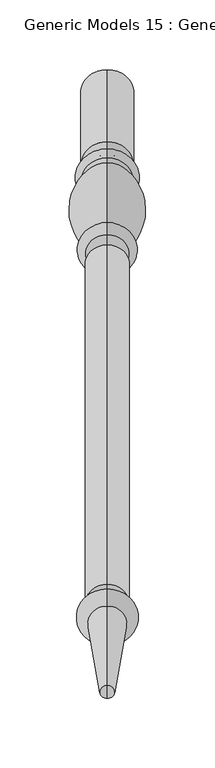
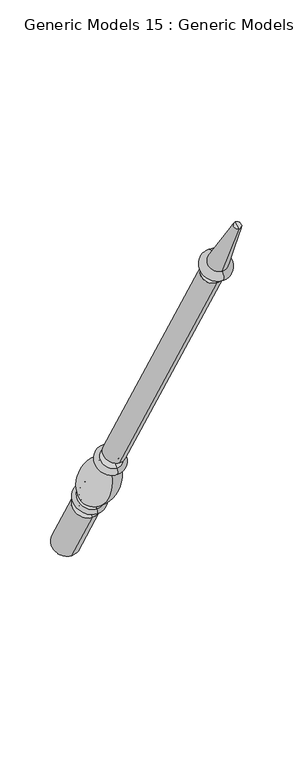
"""IFC4 building model written with IfcOpenShell, lengths in millimetres: proxy geometry, Generic Models 15 : Generic Models 2."""

from ifc_helpers import new_model, si_unit, point, frame, origin, place, context, project, spatial, polyline, circle_curve, ellipse_curve, trimmed, source, transform, mapped, element, save
from ifc_brep_helpers import plane_surface, cylinder_surface, revolved_surface, advanced_brep


def generic_models_15_generic_models_2_dc057fa0(model_context):
    return source(origin(), model_context, "Body", "AdvancedBrep", [
        advanced_brep(
        [(-705.2684498, 1861.1601077, 610.5814746), (-705.2684498, 1828.1645398, 591.5314746), (-705.2684498, 1880.0576333, 501.65), (-705.2684498, 1913.0532012, 520.7), (-705.2684498, 1853.6896456, 623.5206944), (-705.2684498, 1820.6940777, 604.4706944), (-705.2684498, 1849.5864045, 630.6277165), (-705.2684498, 1816.5908366, 611.5777165), (-705.2684498, 1845.9182158, 636.9812058), (-705.2684498, 1812.9226479, 617.9312058), (-705.2684498, 1801.1569262, 703.055156), (-705.2684498, 1778.0815733, 689.7325947), (-705.2684498, 1799.8610191, 710.4046105), (-705.2684498, 1772.3647125, 694.5296105), (-705.2684498, 1794.1590629, 720.2806883), (-705.2684498, 1766.6627563, 704.4056883), (-705.2684498, 1786.7732215, 733.0733408), (-705.2684498, 1759.276915, 717.1983408), (-705.2684498, 1542.2982215, 1156.516462), (-705.2684498, 1514.801915, 1140.641462), (-705.2684498, 1537.2251467, 1153.5875209), (-705.2684498, 1519.8749898, 1143.5704031), (-705.2684498, 1531.1910418, 1164.0388972), (-705.2684498, 1513.8408848, 1154.0217794), (-705.2684498, 1534.7597609, 1166.0992981), (-705.2684498, 1510.2721658, 1151.9613785), (-705.2684498, 1526.5847892, 1180.2587644), (-705.2684498, 1502.0971941, 1166.1208448), (-705.2684498, 1469.4852742, 1261.8053229), (-705.2684498, 1460.0255603, 1256.3437545), (-705.2684498, 1464.7554173, 1259.0745387), (-705.2684498, 1896.5554173, 511.175)],
        [
            (0, 1, circle_curve(frame((-705.2684498, 1844.6623237, 601.0564746), z_axis=(0.0, 0.5000000000000062, -0.8660254037844352), x_axis=(0.0, -0.8660254037844352, -0.5000000000000062)), 19.05)),
            (1, 2),
            (2, 3, circle_curve(frame((-705.2684498, 1896.5554173, 511.175), z_axis=(0.0, -0.5000000000000062, 0.8660254037844352), x_axis=(0.0, -0.8660254037844352, -0.5000000000000062)), 19.05)),
            (3, 0),
            (1, 0, circle_curve(frame((-705.2684498, 1844.6623237, 601.0564746), z_axis=(0.0, 0.5000000000000062, -0.8660254037844352), x_axis=(0.0, -0.8660254037844352, -0.5000000000000062)), 19.05)),
            (3, 2, circle_curve(frame((-705.2684498, 1896.5554173, 511.175), z_axis=(0.0, -0.5000000000000062, 0.8660254037844352), x_axis=(0.0, -0.8660254037844352, -0.5000000000000062)), 19.05)),
            (4, 5, circle_curve(frame((-705.2684498, 1837.1918617, 613.9956944), z_axis=(0.0, 0.5000000000000062, -0.8660254037844352), x_axis=(0.0, -0.8660254037844352, -0.5000000000000062)), 19.05)),
            (5, 1, circle_curve(frame((-705.2684498, 1821.8102989, 596.4889985), z_axis=(-1.0, 0.0, 0.0), x_axis=(0.0, 0.8660254037844352, 0.5000000000000062)), 8.0593685)),
            (0, 4, circle_curve(frame((-705.2684498, 1860.0438865, 618.5631706), z_axis=(-1.0, 0.0, 0.0), x_axis=(0.0, -0.8660254037844352, -0.5000000000000062)), 8.0593685)),
            (5, 4, circle_curve(frame((-705.2684498, 1837.1918617, 613.9956944), z_axis=(0.0, 0.5000000000000062, -0.8660254037844352), x_axis=(0.0, -0.8660254037844352, -0.5000000000000062)), 19.05)),
            (6, 7, circle_curve(frame((-705.2684498, 1833.0886205, 621.1027165), z_axis=(0.0, 0.5000000000000062, -0.8660254037844352), x_axis=(0.0, -0.8660254037844352, -0.5000000000000062)), 19.05)),
            (7, 5, circle_curve(frame((-705.2684498, 1818.6424572, 608.0242055), z_axis=(1.0, 0.0, 0.0), x_axis=(0.0, 0.8660254037844352, 0.5000000000000062)), 4.1032411)),
            (4, 6, circle_curve(frame((-705.2684498, 1851.638025, 627.0742055), z_axis=(1.0, 0.0, 0.0), x_axis=(0.0, -0.8660254037844352, -0.5000000000000062)), 4.1032411)),
            (7, 6, circle_curve(frame((-705.2684498, 1833.0886205, 621.1027165), z_axis=(0.0, 0.5000000000000062, -0.8660254037844352), x_axis=(0.0, -0.8660254037844352, -0.5000000000000062)), 19.05)),
            (8, 9, circle_curve(frame((-705.2684498, 1829.4204318, 627.4562058), z_axis=(0.0, 0.5000000000000062, -0.8660254037844352), x_axis=(0.0, -0.8660254037844352, -0.5000000000000062)), 19.05)),
            (9, 7, circle_curve(frame((-705.2684498, 1813.3633086, 613.9499618), z_axis=(-1.0, 0.0, 0.0), x_axis=(0.0, 0.8660254037844352, 0.5000000000000062)), 4.0055568)),
            (6, 8, circle_curve(frame((-705.2684498, 1849.1457438, 634.6089605), z_axis=(-1.0, 0.0, 0.0), x_axis=(0.0, -0.8660254037844352, -0.5000000000000062)), 4.0055568)),
            (9, 8, circle_curve(frame((-705.2684498, 1829.4204318, 627.4562058), z_axis=(0.0, 0.5000000000000062, -0.8660254037844352), x_axis=(0.0, -0.8660254037844352, -0.5000000000000062)), 19.05)),
            (10, 11, circle_curve(frame((-705.2684498, 1789.6192497, 696.3938754), z_axis=(0.0, 0.5000000000000062, -0.8660254037844352), x_axis=(0.0, -0.8660254037844352, -0.5000000000000062)), 13.3225612)),
            (11, 9, circle_curve(frame((-705.2684498, 1854.1299968, 682.2806335), z_axis=(1.0, 0.0, 0.0), x_axis=(0.0, 0.8660254037844352, 0.5000000000000062)), 76.412659)),
            (8, 10, circle_curve(frame((-705.2684498, 1769.5863022, 633.4693086), z_axis=(1.0, 0.0, 0.0), x_axis=(0.0, -0.8660254037844352, -0.5000000000000062)), 76.412659)),
            (11, 10, circle_curve(frame((-705.2684498, 1789.6192497, 696.3938754), z_axis=(0.0, 0.5000000000000062, -0.8660254037844352), x_axis=(0.0, -0.8660254037844352, -0.5000000000000062)), 13.3225612)),
            (12, 13, circle_curve(frame((-705.2684498, 1786.1128658, 702.4671105), z_axis=(0.0, 0.5000000000000062, -0.8660254037844352), x_axis=(0.0, -0.8660254037844352, -0.5000000000000062)), 15.875)),
            (13, 11, circle_curve(frame((-705.2684498, 1773.4069828, 689.9666873), z_axis=(-1.0, 0.0, 0.0), x_axis=(0.0, 0.8660254037844352, 0.5000000000000062)), 4.6804482)),
            (10, 12, circle_curve(frame((-705.2684498, 1803.2914914, 707.2205164), z_axis=(-1.0, 0.0, 0.0), x_axis=(0.0, -0.8660254037844352, -0.5000000000000062)), 4.6804482)),
            (13, 12, circle_curve(frame((-705.2684498, 1786.1128658, 702.4671105), z_axis=(0.0, 0.5000000000000062, -0.8660254037844352), x_axis=(0.0, -0.8660254037844352, -0.5000000000000062)), 15.875)),
            (14, 15, circle_curve(frame((-705.2684498, 1780.4109096, 712.3431883), z_axis=(0.0, 0.5000000000000062, -0.8660254037844352), x_axis=(0.0, -0.8660254037844352, -0.5000000000000062)), 15.875)),
            (15, 13, circle_curve(frame((-705.2684498, 1769.5137344, 699.4676494), z_axis=(1.0, 0.0, 0.0), x_axis=(0.0, 0.8660254037844352, 0.5000000000000062)), 5.7019562)),
            (12, 14, circle_curve(frame((-705.2684498, 1797.010041, 715.3426494), z_axis=(1.0, 0.0, 0.0), x_axis=(0.0, -0.8660254037844352, -0.5000000000000062)), 5.7019562)),
            (15, 14, circle_curve(frame((-705.2684498, 1780.4109096, 712.3431883), z_axis=(0.0, 0.5000000000000062, -0.8660254037844352), x_axis=(0.0, -0.8660254037844352, -0.5000000000000062)), 15.875)),
            (16, 17, circle_curve(frame((-705.2684498, 1773.0250683, 725.1358408), z_axis=(0.0, 0.5000000000000062, -0.8660254037844352), x_axis=(0.0, -0.8660254037844352, -0.5000000000000062)), 15.875)),
            (17, 15, circle_curve(frame((-705.2684498, 1762.9698356, 710.8020145), z_axis=(-1.0, 0.0, 0.0), x_axis=(0.0, 0.8660254037844352, 0.5000000000000062)), 7.3858413)),
            (14, 16, circle_curve(frame((-705.2684498, 1790.4661422, 726.6770145), z_axis=(-1.0, 0.0, 0.0), x_axis=(0.0, -0.8660254037844352, -0.5000000000000062)), 7.3858413)),
            (17, 16, circle_curve(frame((-705.2684498, 1773.0250683, 725.1358408), z_axis=(0.0, 0.5000000000000062, -0.8660254037844352), x_axis=(0.0, -0.8660254037844352, -0.5000000000000062)), 15.875)),
            (18, 19, circle_curve(frame((-705.2684498, 1528.5500683, 1148.578962), z_axis=(0.0, 0.5000000000000062, -0.8660254037844352), x_axis=(0.0, -0.8660254037844352, -0.5000000000000062)), 15.875)),
            (19, 17),
            (16, 18),
            (19, 18, circle_curve(frame((-705.2684498, 1528.5500683, 1148.578962), z_axis=(0.0, 0.5000000000000062, -0.8660254037844352), x_axis=(0.0, -0.8660254037844352, -0.5000000000000062)), 15.875)),
            (20, 21, circle_curve(frame((-705.2684498, 1528.5500683, 1148.578962), z_axis=(0.0, 0.5000000000000062, -0.8660254037844352), x_axis=(0.0, -0.8660254037844352, -0.5000000000000062)), 10.0171178)),
            (21, 19),
            (18, 20),
            (21, 20, circle_curve(frame((-705.2684498, 1528.5500683, 1148.578962), z_axis=(0.0, 0.5000000000000062, -0.8660254037844352), x_axis=(0.0, -0.8660254037844352, -0.5000000000000062)), 10.0171178)),
            (22, 23, circle_curve(frame((-705.2684498, 1522.5159633, 1159.0303383), z_axis=(0.0, 0.5000000000000062, -0.8660254037844352), x_axis=(0.0, -0.8660254037844352, -0.5000000000000062)), 10.0171178)),
            (23, 21, circle_curve(frame((-705.2684498, 1515.3020818, 1147.8978177), z_axis=(-1.0, 0.0, 0.0), x_axis=(0.0, 0.8660254037844352, 0.5000000000000062)), 6.295872)),
            (20, 22, circle_curve(frame((-705.2684498, 1535.7639497, 1159.7114826), z_axis=(-1.0, 0.0, 0.0), x_axis=(0.0, -0.8660254037844352, -0.5000000000000062)), 6.295872)),
            (23, 22, circle_curve(frame((-705.2684498, 1522.5159633, 1159.0303383), z_axis=(0.0, 0.5000000000000062, -0.8660254037844352), x_axis=(0.0, -0.8660254037844352, -0.5000000000000062)), 10.0171178)),
            (24, 25, circle_curve(frame((-705.2684498, 1522.5159633, 1159.0303383), z_axis=(0.0, 0.5000000000000062, -0.8660254037844352), x_axis=(0.0, -0.8660254037844352, -0.5000000000000062)), 14.1379196)),
            (25, 23),
            (22, 24),
            (25, 24, circle_curve(frame((-705.2684498, 1522.5159633, 1159.0303383), z_axis=(0.0, 0.5000000000000062, -0.8660254037844352), x_axis=(0.0, -0.8660254037844352, -0.5000000000000062)), 14.1379196)),
            (26, 27, circle_curve(frame((-705.2684498, 1514.3409916, 1173.1898046), z_axis=(0.0, 0.5000000000000062, -0.8660254037844352), x_axis=(0.0, -0.8660254037844352, -0.5000000000000062)), 14.1379196)),
            (27, 25, circle_curve(frame((-705.2684498, 1506.1846799, 1159.0411116), z_axis=(1.0, 0.0, 0.0), x_axis=(0.0, 0.8660254037844352, 0.5000000000000062)), 8.1749717)),
            (24, 26, circle_curve(frame((-705.2684498, 1530.672275, 1173.1790313), z_axis=(1.0, 0.0, 0.0), x_axis=(0.0, -0.8660254037844352, -0.5000000000000062)), 8.1749717)),
            (27, 26, circle_curve(frame((-705.2684498, 1514.3409916, 1173.1898046), z_axis=(0.0, 0.5000000000000062, -0.8660254037844352), x_axis=(0.0, -0.8660254037844352, -0.5000000000000062)), 14.1379196)),
            (28, 29, circle_curve(frame((-705.2684498, 1464.7554173, 1259.0745387), z_axis=(0.0, 0.5000000000000062, -0.8660254037844352), x_axis=(0.0, -0.8660254037844352, -0.5000000000000062)), 5.4615684)),
            (29, 27),
            (26, 28),
            (29, 28, circle_curve(frame((-705.2684498, 1464.7554173, 1259.0745387), z_axis=(0.0, 0.5000000000000062, -0.8660254037844352), x_axis=(0.0, -0.8660254037844352, -0.5000000000000062)), 5.4615684)),
            (30, 29),
            (28, 30),
            (2, 31),
            (31, 3),
        ],
        [
            cylinder_surface(frame((-705.2684498, 1464.7554173, 1259.0745387), z_axis=(0.0, -0.5000000000000062, 0.8660254037844352), x_axis=(0.0, -0.8660254037844352, -0.5000000000000062)), 19.05),
            revolved_surface(trimmed(ellipse_curve(frame((-705.2684498, 1821.8102989, 596.4889985), z_axis=(1.0, 0.0, 0.0), x_axis=(0.0, 0.8660254037844352, 0.5000000000000062)), 8.0593685, 8.0593685), [point((-705.2684498, 1828.1645398, 591.5314746))], [point((-705.2684498, 1820.6940777, 604.4706944))], True, "CARTESIAN"), (-705.2684498, 1464.7554173, 1259.0745387), (0.0, -0.5000000000000062, 0.8660254037844352)),
            revolved_surface(trimmed(ellipse_curve(frame((-705.2684498, 1818.6424572, 608.0242055), z_axis=(-1.0, 0.0, 0.0), x_axis=(0.0, 0.8660254037844352, 0.5000000000000062)), 4.1032411, 4.1032411), [point((-705.2684498, 1820.6940777, 604.4706944))], [point((-705.2684498, 1816.5908366, 611.5777165))], True, "CARTESIAN"), (-705.2684498, 1464.7554173, 1259.0745387), (0.0, -0.5000000000000062, 0.8660254037844352)),
            revolved_surface(trimmed(ellipse_curve(frame((-705.2684498, 1813.3633086, 613.9499618), z_axis=(1.0, 0.0, 0.0), x_axis=(0.0, 0.8660254037844352, 0.5000000000000062)), 4.0055568, 4.0055568), [point((-705.2684498, 1816.5908366, 611.5777165))], [point((-705.2684498, 1812.9226479, 617.9312058))], True, "CARTESIAN"), (-705.2684498, 1464.7554173, 1259.0745387), (0.0, -0.5000000000000062, 0.8660254037844352)),
            revolved_surface(trimmed(ellipse_curve(frame((-705.2684498, 1854.1299968, 682.2806335), z_axis=(-1.0, 0.0, 0.0), x_axis=(0.0, 0.8660254037844352, 0.5000000000000062)), 76.412659, 76.412659), [point((-705.2684498, 1812.9226479, 617.9312058))], [point((-705.2684498, 1778.0815733, 689.7325947))], True, "CARTESIAN"), (-705.2684498, 1464.7554173, 1259.0745387), (0.0, -0.5000000000000062, 0.8660254037844352)),
            revolved_surface(trimmed(ellipse_curve(frame((-705.2684498, 1773.4069828, 689.9666873), z_axis=(1.0, 0.0, 0.0), x_axis=(0.0, 0.8660254037844352, 0.5000000000000062)), 4.6804482, 4.6804482), [point((-705.2684498, 1778.0815733, 689.7325947))], [point((-705.2684498, 1772.3647125, 694.5296105))], True, "CARTESIAN"), (-705.2684498, 1464.7554173, 1259.0745387), (0.0, -0.5000000000000062, 0.8660254037844352)),
            revolved_surface(trimmed(ellipse_curve(frame((-705.2684498, 1769.5137344, 699.4676494), z_axis=(-1.0, 0.0, 0.0), x_axis=(0.0, 0.8660254037844352, 0.5000000000000062)), 5.7019562, 5.7019562), [point((-705.2684498, 1772.3647125, 694.5296105))], [point((-705.2684498, 1766.6627563, 704.4056883))], True, "CARTESIAN"), (-705.2684498, 1464.7554173, 1259.0745387), (0.0, -0.5000000000000062, 0.8660254037844352)),
            revolved_surface(trimmed(ellipse_curve(frame((-705.2684498, 1762.9698356, 710.8020145), z_axis=(1.0, 0.0, 0.0), x_axis=(0.0, 0.8660254037844352, 0.5000000000000062)), 7.3858413, 7.3858413), [point((-705.2684498, 1766.6627563, 704.4056883))], [point((-705.2684498, 1759.276915, 717.1983408))], True, "CARTESIAN"), (-705.2684498, 1464.7554173, 1259.0745387), (0.0, -0.5000000000000062, 0.8660254037844352)),
            cylinder_surface(frame((-705.2684498, 1464.7554173, 1259.0745387), z_axis=(0.0, -0.5000000000000062, 0.8660254037844352), x_axis=(0.0, -0.8660254037844352, -0.5000000000000062)), 15.875),
            plane_surface(frame((-705.2684498, 1528.5500683, 1148.578962), z_axis=(0.0, -0.5000000000000062, 0.8660254037844352), x_axis=(0.0, -0.8660254037844352, -0.5000000000000062))),
            revolved_surface(trimmed(ellipse_curve(frame((-705.2684498, 1515.3020818, 1147.8978177), z_axis=(1.0, 0.0, 0.0), x_axis=(0.0, 0.8660254037844352, 0.5000000000000062)), 6.295872, 6.295872), [point((-705.2684498, 1519.8749898, 1143.5704031))], [point((-705.2684498, 1513.8408848, 1154.0217794))], True, "CARTESIAN"), (-705.2684498, 1464.7554173, 1259.0745387), (0.0, -0.5000000000000062, 0.8660254037844352)),
            plane_surface(frame((-705.2684498, 1522.5159633, 1159.0303383), z_axis=(0.0, 0.5000000000000062, -0.8660254037844352), x_axis=(0.0, -0.8660254037844352, -0.5000000000000062))),
            revolved_surface(trimmed(ellipse_curve(frame((-705.2684498, 1506.1846799, 1159.0411116), z_axis=(-1.0, 0.0, 0.0), x_axis=(0.0, 0.8660254037844352, 0.5000000000000062)), 8.1749717, 8.1749717), [point((-705.2684498, 1510.2721658, 1151.9613785))], [point((-705.2684498, 1502.0971941, 1166.1208448))], True, "CARTESIAN"), (-705.2684498, 1464.7554173, 1259.0745387), (0.0, -0.5000000000000062, 0.8660254037844352)),
            revolved_surface(polyline([(-705.2684498, 1502.0971941, 1166.1208448), (-705.2684498, 1460.0255603, 1256.3437545)]), (-705.2684498, 1464.7554173, 1259.0745387), (0.0, -0.5000000000000062, 0.8660254037844352)),
            plane_surface(frame((-705.2684498, 1464.7554173, 1259.0745387), z_axis=(0.0, -0.5000000000000062, 0.8660254037844352), x_axis=(0.0, -0.8660254037844352, -0.5000000000000062))),
            plane_surface(frame((-705.2684498, 1896.5554173, 511.175), z_axis=(0.0, 0.5000000000000062, -0.8660254037844352), x_axis=(0.0, -0.8660254037844352, -0.5000000000000062))),
        ],
        [
            (0, [[1, 2, 3, 4]]),
            (0, [[5, -4, 6, -2]]),
            (1, [[7, 8, -1, 9]]),
            (1, [[10, -9, -5, -8]]),
            (2, [[11, 12, -7, 13]]),
            (2, [[14, -13, -10, -12]]),
            (3, [[15, 16, -11, 17]]),
            (3, [[18, -17, -14, -16]]),
            (4, [[19, 20, -15, 21]]),
            (4, [[22, -21, -18, -20]]),
            (5, [[23, 24, -19, 25]]),
            (5, [[26, -25, -22, -24]]),
            (6, [[27, 28, -23, 29]]),
            (6, [[30, -29, -26, -28]]),
            (7, [[31, 32, -27, 33]]),
            (7, [[34, -33, -30, -32]]),
            (8, [[35, 36, -31, 37]]),
            (8, [[38, -37, -34, -36]]),
            (9, [[39, 40, -35, 41]]),
            (9, [[42, -41, -38, -40]]),
            (10, [[43, 44, -39, 45]]),
            (10, [[46, -45, -42, -44]]),
            (11, [[47, 48, -43, 49]]),
            (11, [[50, -49, -46, -48]]),
            (12, [[51, 52, -47, 53]]),
            (12, [[54, -53, -50, -52]]),
            (13, [[55, 56, -51, 57]]),
            (13, [[58, -57, -54, -56]]),
            (14, [[59, -55, 60]]),
            (14, [[-60, -58, -59]]),
            (15, [[-3, 61, 62]]),
            (15, [[-6, -62, -61]]),
        ],
    ),
    ])


if __name__ == "__main__":
    model = new_model("IFC4")
    model_context = context("Model", 3, world=origin())
    ifc_project = project(units=[si_unit("LENGTHUNIT", "METRE", prefix="MILLI")], contexts=[model_context])
    site = spatial("IfcSite", under=ifc_project)
    building = spatial("IfcBuilding", under=site)
    placement = place(None, origin())
    generic_models_15_generic_models_2_shape = generic_models_15_generic_models_2_dc057fa0(model_context)
    element("IfcBuildingElementProxy", 1, Name="Generic Models 15 : Generic Models 2", ObjectType="Generic Models 15 : Generic Models 2", at=placement, inside=building, context=model_context, shape_type="MappedRepresentation", body=[
        mapped(generic_models_15_generic_models_2_shape, transform((0.0, 0.0, 0.0), x_axis=(1.0, 0.0, 0.0), y_axis=(0.0, 1.0, 0.0), z_axis=(0.0, 0.0, 1.0))),
    ])
    save(model, "model.ifc")
